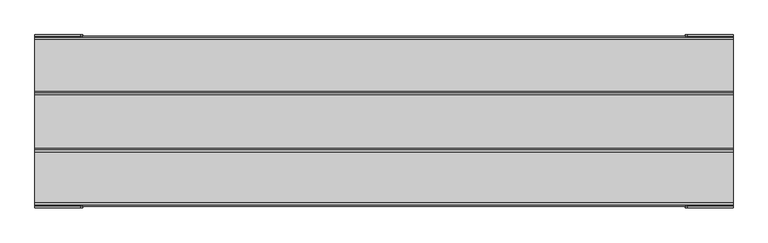
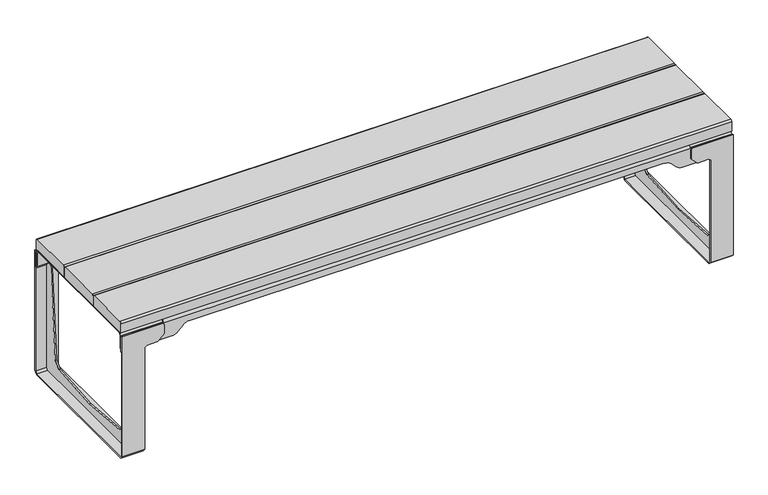
"""IFC4 building model written with IfcOpenShell, lengths in millimetres: furniture geometry."""

from ifc_helpers import new_model, si_unit, point, frame, frame_2d, origin, place, context, project, spatial, polyline, circle_curve, trimmed, segment, composite_curve, outline, extrude, faceted_brep, source, transform, mapped, element, save
from ifc_brep_helpers import plane_surface, cylinder_surface, revolved_surface, advanced_brep


def furniture_2d5a6688(model_context):
    return source(origin(), model_context, "Body", "SolidModel", [
        extrude(outline(composite_curve([segment(trimmed(circle_curve(frame_2d((72.2500086, 442.0000049)), 5.0), [point((72.2500086, 447.0000049))], [point((77.2500086, 442.0000049))], False, "CARTESIAN"), True, "CONTINUOUS"), segment(polyline([(77.2500086, 442.0000049), (77.2500086, 411.9999973), (-77.2499995, 411.9999973), (-77.2499995, 442.0000049)]), True, "CONTINUOUS"), segment(trimmed(circle_curve(frame_2d((-72.2499995, 442.0000049)), 5.0), [point((-77.2499995, 442.0000049))], [point((-72.2499995, 447.0000049))], False, "CARTESIAN"), True, "CONTINUOUS"), segment(polyline([(-72.2499995, 447.0000049), (72.2500086, 447.0000049)]), True, "CONTINUOUS")], self_intersect=False)), frame((-946.9999723, 0.0, 0.0), z_axis=(1.0, 0.0, 0.0), x_axis=(0.0, 1.0, 0.0)), (0.0, 0.0, 1.0), 1893.9999447),
        extrude(outline(composite_curve([segment(trimmed(circle_curve(frame_2d((222.5000036, 442.0000049)), 5.0), [point((222.5000036, 447.0000049))], [point((227.5000036, 442.0000049))], False, "CARTESIAN"), True, "CONTINUOUS"), segment(polyline([(227.5000036, 442.0000049), (227.5000036, 411.9999973), (77.2500086, 411.9999973), (77.2500086, 442.0000049)]), True, "CONTINUOUS"), segment(trimmed(circle_curve(frame_2d((82.2500086, 442.0000049)), 5.0), [point((77.2500086, 442.0000049))], [point((82.2500086, 447.0000049))], False, "CARTESIAN"), True, "CONTINUOUS"), segment(polyline([(82.2500086, 447.0000049), (222.5000036, 447.0000049)]), True, "CONTINUOUS")], self_intersect=False)), frame((-946.9999723, 0.0, 0.0), z_axis=(1.0, 0.0, 0.0), x_axis=(0.0, 1.0, 0.0)), (0.0, 0.0, 1.0), 1893.9999447),
        extrude(outline(composite_curve([segment(polyline([(-221.4999942, 447.0000049), (-82.2499995, 447.0000049)]), True, "CONTINUOUS"), segment(trimmed(circle_curve(frame_2d((-82.2499995, 442.0000049)), 5.0), [point((-82.2499995, 447.0000049))], [point((-77.2499995, 442.0000049))], False, "CARTESIAN"), True, "CONTINUOUS"), segment(polyline([(-77.2499995, 442.0000049), (-77.2499995, 411.9999973), (-226.4999942, 411.9999973), (-226.4999942, 442.0000049)]), True, "CONTINUOUS"), segment(trimmed(circle_curve(frame_2d((-221.4999942, 442.0000049)), 5.0), [point((-226.4999942, 442.0000049))], [point((-221.4999942, 447.0000049))], False, "CARTESIAN"), True, "CONTINUOUS")], self_intersect=False)), frame((-946.9999723, 0.0, 0.0), z_axis=(1.0, 0.0, 0.0), x_axis=(0.0, 1.0, 0.0)), (0.0, 0.0, 1.0), 1893.9999447),
        extrude(outline(polyline([(221.5000166, 407.9999871), (217.5000064, 407.9999871), (217.5000064, 411.9999973), (221.5000064, 411.9999973), (231.5000138, 401.99999), (227.5000138, 401.99999), (221.5000166, 407.9999871)])), frame((-816.9999405, 0.0, 0.0), z_axis=(1.0, 0.0, 0.0), x_axis=(0.0, 1.0, 0.0)), (0.0, 0.0, 1.0), 1633.999999),
        extrude(outline(composite_curve([segment(polyline([(350.0000027, -946.9999723), (350.0000027, -792.4273067)]), True, "CONTINUOUS"), segment(trimmed(circle_curve(frame_2d((380.0000027, -792.4273067)), 30.0), [point((350.0000027, -792.4273067))], [point((358.7867992, -771.2141032))], False, "CARTESIAN"), True, "CONTINUOUS"), segment(polyline([(358.7867992, -771.2141032), (373.2132151, -756.7876874)]), True, "CONTINUOUS"), segment(trimmed(circle_curve(frame_2d((352.0000116, -735.574484)), 30.0), [point((373.2132151, -756.7876874))], [point((382.0000116, -735.574484))], True, "CARTESIAN"), True, "CONTINUOUS"), segment(polyline([(382.0000116, -735.574484), (382.0000116, 0.0), (382.0000116, 735.574484)]), True, "CONTINUOUS"), segment(trimmed(circle_curve(frame_2d((352.0000116, 735.574484)), 30.0), [point((382.0000116, 735.574484))], [point((373.2132151, 756.7876874))], True, "CARTESIAN"), True, "CONTINUOUS"), segment(polyline([(373.2132151, 756.7876874), (358.7867992, 771.2141032)]), True, "CONTINUOUS"), segment(trimmed(circle_curve(frame_2d((380.0000027, 792.4273067)), 30.0), [point((358.7867992, 771.2141032))], [point((350.0000027, 792.4273067))], False, "CARTESIAN"), True, "CONTINUOUS"), segment(polyline([(350.0000027, 792.4273067), (350.0000027, 947.0001449), (401.9999866, 947.0001449), (401.9999866, -946.9999723), (350.0000027, -946.9999723)]), True, "CONTINUOUS")], self_intersect=False)), frame((0.0, 227.5000138, 0.0), z_axis=(0.0, 1.0, 0.0), x_axis=(0.0, 0.0, 1.0)), (0.0, 0.0, 1.0), 4.0),
        advanced_brep(
        [(-946.9999723, -230.4999942, 350.0000027), (-792.4273067, -230.4999942, 350.0000027), (-771.2141032, -230.4999942, 358.7867992), (-756.7876874, -230.4999942, 373.2132151), (-735.574484, -230.4999942, 382.0000116), (0.0, -230.4999942, 382.0000116), (735.574484, -230.4999942, 382.0000116), (756.7876874, -230.4999942, 373.2132151), (771.2141032, -230.4999942, 358.7867992), (792.4273067, -230.4999942, 350.0000027), (947.0001449, -230.4999942, 350.0000027), (947.0001449, -230.4999942, 401.9999866), (817.0000586, -230.4999942, 401.9999866), (-816.9999405, -230.4999942, 401.99999), (-946.9999723, -230.4999942, 401.9999866), (-946.9999723, -226.4999942, 350.0000027), (-946.9999723, -226.4999942, 401.9999866), (-816.9999405, -226.4999942, 401.9999866), (817.0000586, -226.4999942, 401.99999), (947.0001449, -226.4999942, 401.9999866), (947.0001449, -226.4999942, 350.0000027), (792.4273067, -226.4999942, 350.0000027), (771.2141032, -226.4999942, 358.7867992), (756.7876874, -226.4999942, 373.2132151), (735.574484, -226.4999942, 382.0000116), (0.0, -226.4999942, 382.0000116), (-735.574484, -226.4999942, 382.0000116), (-756.7876874, -226.4999942, 373.2132151), (-771.2141032, -226.4999942, 358.7867992), (-792.4273067, -226.4999942, 350.0000027), (817.0000586, -220.499997, 407.9999871), (817.0000586, -216.4999868, 407.9999871), (817.0000586, -216.4999868, 411.9999973), (817.0000586, -220.4999868, 411.9999973), (-816.9999405, -220.499997, 407.9999871), (-816.9999405, -220.4999868, 411.9999973), (-816.9999405, -216.4999868, 411.9999973), (-816.9999405, -216.4999868, 407.9999871)],
        [
            (0, 1),
            (1, 2, circle_curve(frame((-792.4273067, -230.4999942, 380.0000027), z_axis=(0.0, -1.0, 0.0), x_axis=(1.0, 0.0, 0.0)), 30.0)),
            (2, 3),
            (3, 4, circle_curve(frame((-735.574484, -230.4999942, 352.0000116), z_axis=(0.0, 1.0, 0.0), x_axis=(1.0, 0.0, 0.0)), 30.0)),
            (4, 5),
            (5, 6),
            (6, 7, circle_curve(frame((735.574484, -230.4999942, 352.0000116), z_axis=(0.0, 1.0, 0.0), x_axis=(-1.0, 0.0, 0.0)), 30.0)),
            (7, 8),
            (8, 9, circle_curve(frame((792.4273067, -230.4999942, 380.0000027), z_axis=(0.0, -1.0, 0.0), x_axis=(-1.0, 0.0, 0.0)), 30.0)),
            (9, 10),
            (10, 11),
            (11, 12),
            (12, 13),
            (13, 14),
            (14, 0),
            (15, 16),
            (16, 17),
            (17, 18),
            (18, 19),
            (19, 20),
            (20, 21),
            (21, 22, circle_curve(frame((792.4273067, -226.4999942, 380.0000027), z_axis=(0.0, 1.0, 0.0), x_axis=(-1.0, 0.0, 0.0)), 30.0)),
            (22, 23),
            (23, 24, circle_curve(frame((735.574484, -226.4999942, 352.0000116), z_axis=(0.0, -1.0, 0.0), x_axis=(-1.0, 0.0, 0.0)), 30.0)),
            (24, 25),
            (25, 26),
            (26, 27, circle_curve(frame((-735.574484, -226.4999942, 352.0000116), z_axis=(0.0, -1.0, 0.0), x_axis=(1.0, 0.0, 0.0)), 30.0)),
            (27, 28),
            (28, 29, circle_curve(frame((-792.4273067, -226.4999942, 380.0000027), z_axis=(0.0, 1.0, 0.0), x_axis=(1.0, 0.0, 0.0)), 30.0)),
            (29, 15),
            (0, 15),
            (29, 1),
            (28, 2),
            (27, 3),
            (26, 4),
            (25, 5),
            (24, 6),
            (23, 7),
            (22, 8),
            (21, 9),
            (20, 10),
            (19, 11),
            (18, 12),
            (16, 14),
            (13, 17),
            (30, 31),
            (31, 32),
            (32, 33),
            (33, 12),
            (18, 30),
            (34, 17),
            (13, 35),
            (35, 36),
            (36, 37),
            (37, 34),
            (30, 34),
            (37, 31),
            (36, 32),
            (35, 33),
        ],
        [
            plane_surface(frame((-788.2848782, -230.4999942, 350.0000027), z_axis=(0.0, -1.0, 0.0), x_axis=(1.0, 0.0, 0.0))),
            plane_surface(frame((-788.2848782, -226.4999942, 350.0000027), z_axis=(0.0, 1.0, 0.0), x_axis=(-1.0, 0.0, 0.0))),
            plane_surface(frame((-946.9999723, -230.4999942, 350.0000027), z_axis=(0.0, 0.0, -1.0), x_axis=(0.0, 1.0, 0.0))),
            cylinder_surface(frame((-792.4273067, -226.4999942, 380.0000027), z_axis=(0.0, -1.0, 0.0), x_axis=(1.0, 0.0, 0.0)), 30.0),
            plane_surface(frame((-771.2141032, -230.4999942, 358.7867992), z_axis=(0.7071067811865492, 0.0, -0.7071067811865459), x_axis=(0.0, 1.0, 0.0))),
            revolved_surface(polyline([(-705.574484, -226.4999942, 352.0000116), (-705.574484, -230.4999942, 352.0000116)]), (-735.574484, -226.4999942, 352.0000116), (0.0, 1.0, 0.0)),
            plane_surface(frame((-735.574484, -230.4999942, 382.0000116), z_axis=(0.0, 0.0, -1.0), x_axis=(0.0, 1.0, 0.0))),
            plane_surface(frame((0.0, -230.4999942, 382.0000116), z_axis=(0.0, 0.0, -1.0), x_axis=(0.0, 1.0, 0.0))),
            revolved_surface(polyline([(705.574484, -226.4999942, 352.0000116), (705.574484, -230.4999942, 352.0000116)]), (735.574484, -226.4999942, 352.0000116), (0.0, 1.0, 0.0)),
            plane_surface(frame((756.7876874, -230.4999942, 373.2132151), z_axis=(-0.7071067811865526, 0.0, -0.7071067811865426), x_axis=(0.0, 1.0, 0.0))),
            cylinder_surface(frame((792.4273067, -226.4999942, 380.0000027), z_axis=(0.0, -1.0, 0.0), x_axis=(-1.0, 0.0, 0.0)), 30.0),
            plane_surface(frame((792.4273067, -230.4999942, 350.0000027), z_axis=(0.0, 0.0, -1.0), x_axis=(0.0, 1.0, 0.0))),
            plane_surface(frame((947.0001449, -230.4999942, 350.0000027), z_axis=(1.0, 0.0, 0.0), x_axis=(0.0, 1.0, 0.0))),
            plane_surface(frame((947.0001449, -230.4999942, 401.9999866), z_axis=(0.0, 0.0, 1.0), x_axis=(0.0, 1.0, 0.0))),
            plane_surface(frame((-946.9999723, -230.4999942, 401.9999866), z_axis=(-1.0, 0.0, 0.0), x_axis=(0.0, 1.0, 0.0))),
            plane_surface(frame((817.0000586, -216.4999937, 407.9999871), z_axis=(1.0, 0.0, 0.0), x_axis=(0.0, 1.0, 0.0))),
            plane_surface(frame((-816.9999405, -216.4999937, 407.9999871), z_axis=(-1.0, 0.0, 0.0), x_axis=(0.0, -1.0, 0.0))),
            plane_surface(frame((817.0000586, -220.499997, 407.9999871), z_axis=(0.0, 0.0, -1.0), x_axis=(-1.0, 0.0, 0.0))),
            plane_surface(frame((817.0000586, -216.4999868, 407.9999871), z_axis=(0.0, 1.0, 0.0), x_axis=(-1.0, 0.0, 0.0))),
            plane_surface(frame((817.0000586, -216.4999868, 411.9999973), z_axis=(0.0, 0.0, 1.0), x_axis=(-1.0, 0.0, 0.0))),
            plane_surface(frame((817.0000586, -220.4999868, 411.9999973), z_axis=(0.0, -0.7071067811865464, 0.7071067811865487), x_axis=(-1.0, 0.0, 0.0))),
            plane_surface(frame((817.0000586, -226.4999942, 401.99999), z_axis=(0.0, 0.7071067811865456, -0.7071067811865496), x_axis=(-1.0, 0.0, 0.0))),
        ],
        [
            (0, [[1, 2, 3, 4, 5, 6, 7, 8, 9, 10, 11, 12, 13, 14, 15]]),
            (1, [[16, 17, 18, 19, 20, 21, 22, 23, 24, 25, 26, 27, 28, 29, 30]]),
            (2, [[-1, 31, -30, 32]]),
            (3, [[-2, -32, -29, 33]]),
            (4, [[-3, -33, -28, 34]]),
            (5, [[-4, -34, -27, 35]]),
            (6, [[-5, -35, -26, 36]]),
            (7, [[-6, -36, -25, 37]]),
            (8, [[-7, -37, -24, 38]]),
            (9, [[-8, -38, -23, 39]]),
            (10, [[-9, -39, -22, 40]]),
            (11, [[-10, -40, -21, 41]]),
            (12, [[-11, -41, -20, 42]]),
            (13, [[-42, -19, 43, -12]]),
            (13, [[44, -14, 45, -17]]),
            (14, [[-15, -44, -16, -31]]),
            (15, [[46, 47, 48, 49, -43, 50]]),
            (16, [[51, -45, 52, 53, 54, 55]]),
            (17, [[-46, 56, -55, 57]]),
            (18, [[-47, -57, -54, 58]]),
            (19, [[-48, -58, -53, 59]]),
            (20, [[-49, -59, -52, -13]]),
            (21, [[-50, -18, -51, -56]]),
        ],
    ),
        faceted_brep([(807.0000875, 217.4999962, 411.9999973), (807.0000875, 227.5000036, 401.99999), (807.0000875, 227.5000036, 357.9999867), (807.0000875, 223.4999933, 357.9999867), (807.0000875, 223.4999933, 401.99999), (807.0000875, 217.4999962, 407.9999871), (807.0000875, -216.4999937, 407.9999871), (807.0000875, -222.4999942, 401.9999866), (807.0000875, -222.4999942, 357.9999867), (807.0000875, -226.4999942, 357.9999867), (807.0000875, -226.4999942, 401.99999), (807.0000875, -216.4999868, 411.9999973), (947.0001449, -222.4999942, 357.9999867), (947.0001449, -230.4999942, 357.9999867), (877.0003479, -230.4999942, 357.9999867), (877.000466, -226.4999942, 357.9999867), (947.0001449, -222.4999942, 401.9999866), (947.0001449, -216.4999937, 407.9999871), (947.0001449, 217.4999962, 407.9999871), (947.0001449, 223.4999933, 401.99999), (947.0001449, 223.4999933, 357.9999867), (877.000466, 227.5000036, 357.9999867), (877.0003479, 231.5000138, 357.9999867), (947.0001449, 231.5000138, 357.9999867), (947.0001449, 217.4999962, 411.9999973), (947.0001449, 227.5000036, 401.99999), (877.0003479, 227.5000036, 401.99999), (947.0001449, -216.4999868, 411.9999973), (877.000466, -226.4999942, 401.99999), (947.0001449, -226.4999942, 401.99999), (877.0003479, 231.5000138, 401.99999), (877.0003479, -230.4999942, 401.99999), (947.0001449, -230.4999942, 401.99999), (947.0001449, 231.5000138, 401.99999)], [[[0, 1, 2, 3, 4, 5, 6, 7, 8, 9, 10, 11]], [[9, 8, 12, 13, 14, 15]], [[12, 8, 7, 16]], [[16, 7, 6, 17]], [[17, 6, 5, 18]], [[18, 5, 4, 19]], [[19, 4, 3, 20]], [[20, 3, 2, 21, 22, 23]], [[1, 0, 24, 25, 26]], [[24, 0, 11, 27]], [[27, 11, 10, 28, 29]], [[10, 9, 15, 28]], [[2, 1, 26, 21]], [[26, 30, 22, 21]], [[14, 31, 28, 15]], [[27, 29, 32, 13, 12, 16, 17, 18, 19, 20, 23, 33, 25, 24]], [[31, 14, 13, 32]], [[22, 30, 33, 23]], [[28, 31, 32, 29]], [[30, 26, 25, 33]]]),
        faceted_brep([(947.000263, -234.4999942, 404.0000133), (822.0003347, -234.4999942, 404.0000133), (817.0000586, -234.4999942, 398.9997371), (817.0000586, -234.4999942, 370.0000174), (837.0000732, -234.4999942, 350.0000027), (872.0001898, -234.4999942, 350.0000027), (877.0001753, -234.4999942, 345.0000172), (877.000466, -234.4999942, 10.0000005), (947.000263, -234.4999942, 10.0000005), (877.0001753, -230.4999942, 345.0000172), (872.0001898, -230.4999942, 350.0000027), (837.0000732, -230.4999942, 350.0000027), (817.0000586, -230.4999942, 370.0000174), (817.0000586, -230.4999942, 398.9997371), (822.0003347, -230.4999942, 404.0000133), (947.000263, -230.4999942, 404.0000133), (947.000263, -230.4999942, 10.0000005), (877.000466, -230.4999942, 10.0000005), (947.000263, -224.4999936, 0.0), (947.000263, 225.5000199, 0.0), (947.000263, 235.500024, 10.000004), (947.000263, 235.500024, 404.0000133), (947.000263, 231.500024, 404.0000133), (947.000263, 231.5000138, 9.9999995), (947.000263, 225.5000142, 4.0), (947.000263, -224.4999936, 4.0), (877.000466, -224.4999936, 4.0), (877.000466, 225.5000142, 4.0), (877.000466, 231.5000138, 9.9999995), (877.000466, 231.5000138, 345.0000172), (877.000466, 235.500024, 344.9997265), (877.000466, 235.500024, 10.000004), (877.000466, 225.5000199, 0.0), (877.000466, -224.4999936, 0.0), (872.0001898, 235.500024, 350.0000027), (837.0000732, 235.500024, 350.0000027), (817.0000586, 235.500024, 370.0000174), (817.0000586, 235.500024, 398.9997371), (822.0003347, 235.500024, 404.0000133), (822.0003347, 231.5000138, 404.0000133), (817.0000586, 231.5000138, 398.9997371), (817.0000586, 231.5000138, 370.0000174), (837.0000732, 231.5000138, 350.0000027), (872.0001898, 231.5000138, 350.0000027)], [[[0, 1, 2, 3, 4, 5, 6, 7, 8]], [[9, 10, 11, 12, 13, 14, 15, 16, 17]], [[6, 5, 10, 9]], [[5, 4, 11, 10]], [[4, 3, 12, 11]], [[3, 2, 13, 12]], [[2, 1, 14, 13]], [[1, 0, 15, 14]], [[15, 0, 8, 18, 19, 20, 21, 22, 23, 24, 25, 16]], [[26, 27, 28, 29, 30, 31, 32, 33, 7, 6, 9, 17]], [[26, 17, 16, 25]], [[7, 33, 18, 8]], [[33, 32, 19, 18]], [[32, 31, 20, 19]], [[21, 20, 31, 30, 34, 35, 36, 37, 38]], [[28, 23, 22, 39, 40, 41, 42, 43, 29]], [[28, 27, 24, 23]], [[27, 26, 25, 24]], [[34, 30, 29, 43]], [[35, 34, 43, 42]], [[36, 35, 42, 41]], [[37, 36, 41, 40]], [[38, 37, 40, 39]], [[21, 38, 39, 22]]]),
        faceted_brep([(-806.9999695, 217.4999962, 411.9999973), (-806.9999695, -216.4999868, 411.9999973), (-806.9999695, -226.4999942, 401.99999), (-806.9999695, -226.4999942, 357.9999867), (-806.9999695, -222.4999942, 357.9999867), (-806.9999695, -222.4999942, 401.9999866), (-806.9999695, -216.4999937, 407.9999871), (-806.9999695, 217.4999962, 407.9999871), (-806.9999695, 223.4999933, 401.99999), (-806.9999695, 223.4999933, 357.9999867), (-806.9999695, 227.5000036, 357.9999867), (-806.9999695, 227.5000036, 401.99999), (-877.0003479, -226.4999942, 357.9999867), (-877.0003479, -230.4999942, 357.9999867), (-947.0001449, -230.4999942, 357.9999867), (-947.0001449, -222.4999942, 357.9999867), (-947.0001449, -222.4999942, 401.9999866), (-947.0001449, -216.4999937, 407.9999871), (-947.0001449, 217.4999962, 407.9999871), (-947.0001449, 223.4999933, 401.99999), (-947.0001449, 223.4999933, 357.9999867), (-947.0001449, 231.5000138, 357.9999867), (-877.0003479, 231.5000138, 357.9999867), (-877.0003479, 227.5000036, 357.9999867), (-877.0003479, 227.5000036, 401.99999), (-947.0001449, 227.5000036, 401.99999), (-947.0001449, 217.4999962, 411.9999973), (-947.0001449, -216.4999868, 411.9999973), (-947.0001449, -226.4999942, 401.99999), (-877.0003479, -226.4999942, 401.99999), (-877.0003479, 231.5000138, 401.99999), (-877.0003479, -230.4999942, 401.99999), (-947.0001449, 231.5000138, 401.99999), (-947.0001449, -230.4999942, 401.99999)], [[[0, 1, 2, 3, 4, 5, 6, 7, 8, 9, 10, 11]], [[4, 3, 12, 13, 14, 15]], [[5, 4, 15, 16]], [[6, 5, 16, 17]], [[7, 6, 17, 18]], [[8, 7, 18, 19]], [[9, 8, 19, 20]], [[10, 9, 20, 21, 22, 23]], [[0, 11, 24, 25, 26]], [[1, 0, 26, 27]], [[2, 1, 27, 28, 29]], [[3, 2, 29, 12]], [[11, 10, 23, 24]], [[22, 30, 24, 23]], [[29, 31, 13, 12]], [[27, 26, 25, 32, 21, 20, 19, 18, 17, 16, 15, 14, 33, 28]], [[13, 31, 33, 14]], [[30, 22, 21, 32]], [[31, 29, 28, 33]], [[24, 30, 32, 25]]]),
        faceted_brep([(-877.0003479, -224.4999936, 4.0), (-877.0003479, -230.4999942, 10.0000005), (-877.0003479, -230.4999942, 345.0000172), (-877.0003479, -234.4999942, 344.9997265), (-877.0003479, -234.4999942, 10.0000005), (-877.0003479, -224.4999936, 0.0), (-877.0003479, 225.5000199, 0.0), (-877.0003479, 235.500024, 10.000004), (-877.0003479, 235.500024, 345.0000172), (-877.0003479, 231.5000138, 344.9997265), (-877.0003479, 231.5000138, 9.9999995), (-877.0003479, 225.5000142, 4.0), (-947.0001449, -224.4999936, 4.0), (-947.0001449, 225.5000142, 4.0), (-947.0001449, 231.5000138, 9.9999995), (-947.0001449, 231.500024, 404.0000133), (-947.0001449, 235.500024, 404.0000133), (-947.0001449, 235.500024, 10.000004), (-947.0001449, 225.5000199, 0.0), (-947.0001449, -224.4999936, 0.0), (-947.0001449, -234.4999942, 10.0000005), (-947.0001449, -234.4999942, 404.0000133), (-947.0001449, -230.4999942, 404.0000133), (-947.0001449, -230.4999942, 10.0000005), (-822.0002167, -230.4999942, 404.0000133), (-816.9999405, -230.4999942, 398.9997371), (-816.9999405, -230.4999942, 370.0000174), (-836.9999552, -230.4999942, 350.0000027), (-872.0000717, -230.4999942, 350.0000027), (-872.0000717, -234.4999942, 350.0000027), (-836.9999552, -234.4999942, 350.0000027), (-816.9999405, -234.4999942, 370.0000174), (-816.9999405, -234.4999942, 398.9997371), (-822.0002167, -234.4999942, 404.0000133), (-822.0002167, 235.500024, 404.0000133), (-816.9999405, 235.500024, 398.9997371), (-816.9999405, 235.500024, 370.0000174), (-836.9999552, 235.500024, 350.0000027), (-872.0000717, 235.500024, 350.0000027), (-872.0000717, 231.5000138, 350.0000027), (-836.9999552, 231.5000138, 350.0000027), (-816.9999405, 231.5000138, 370.0000174), (-816.9999405, 231.5000138, 398.9997371), (-822.0002167, 231.5000138, 404.0000133)], [[[0, 1, 2, 3, 4, 5, 6, 7, 8, 9, 10, 11]], [[12, 13, 14, 15, 16, 17, 18, 19, 20, 21, 22, 23]], [[1, 0, 12, 23]], [[2, 1, 23, 22, 24, 25, 26, 27, 28]], [[4, 3, 29, 30, 31, 32, 33, 21, 20]], [[5, 4, 20, 19]], [[6, 5, 19, 18]], [[7, 6, 18, 17]], [[7, 17, 16, 34, 35, 36, 37, 38, 8]], [[15, 14, 10, 9, 39, 40, 41, 42, 43]], [[11, 10, 14, 13]], [[0, 11, 13, 12]], [[29, 3, 2, 28]], [[30, 29, 28, 27]], [[31, 30, 27, 26]], [[32, 31, 26, 25]], [[33, 32, 25, 24]], [[21, 33, 24, 22]], [[8, 38, 39, 9]], [[38, 37, 40, 39]], [[37, 36, 41, 40]], [[36, 35, 42, 41]], [[35, 34, 43, 42]], [[34, 16, 15, 43]]]),
        extrude(outline(polyline([(211.4999991, 357.9999867), (231.5000138, 357.9999867), (231.5000138, 9.9999995), (225.5000142, 4.0), (-0.8153985, 4.0), (-224.4999946, 4.0), (-230.4999942, 9.9999995), (-230.4999942, 357.9999867), (-210.4999795, 357.9999867), (-205.1318115, 351.9999896), (-181.8580141, 62.5439658), (-163.4292977, 44.1152494), (0.0, 30.937331), (164.5170248, 44.202957), (182.8580337, 62.5439658), (206.1318311, 351.9999896), (211.4999991, 357.9999867)])), frame((910.0001959, 0.0, 0.0), z_axis=(1.0, 0.0, 0.0), x_axis=(0.0, 1.0, 0.0)), (0.0, 0.0, 1.0), 3.9997559),
        extrude(outline(polyline([(211.4999991, 357.9999867), (231.5000138, 357.9999867), (231.5000138, 9.9999995), (225.5000142, 4.0), (-0.8153985, 4.0), (-224.4999946, 4.0), (-230.4999942, 9.9999995), (-230.4999942, 357.9999867), (-210.4999795, 357.9999867), (-205.1318115, 351.9999896), (-181.8580141, 62.5439658), (-163.4292977, 44.1152494), (0.0, 30.937331), (164.5170248, 44.202957), (182.8580337, 62.5439658), (206.1318311, 351.9999896), (211.4999991, 357.9999867)])), frame((-913.9998337, 0.0, 0.0), z_axis=(1.0, 0.0, 0.0), x_axis=(0.0, 1.0, 0.0)), (0.0, 0.0, 1.0), 3.9997559),
    ])


if __name__ == "__main__":
    model = new_model("IFC4")
    model_context = context("Model", 3, world=origin())
    ifc_project = project(units=[si_unit("LENGTHUNIT", "METRE", prefix="MILLI")], contexts=[model_context])
    site = spatial("IfcSite", under=ifc_project)
    building = spatial("IfcBuilding", under=site)
    placement = place(None, origin())
    furniture_shape = furniture_2d5a6688(model_context)
    element("IfcFurniture", 1, at=placement, inside=building, context=model_context, shape_type="MappedRepresentation", body=[
        mapped(furniture_shape, transform((0.0, 0.0, 0.0), x_axis=(1.0, 0.0, 0.0), y_axis=(0.0, 1.0, 0.0), z_axis=(0.0, 0.0, 1.0))),
    ])
    save(model, "model.ifc")
